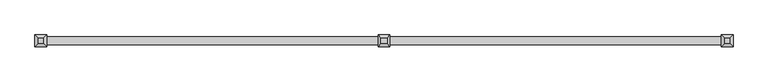
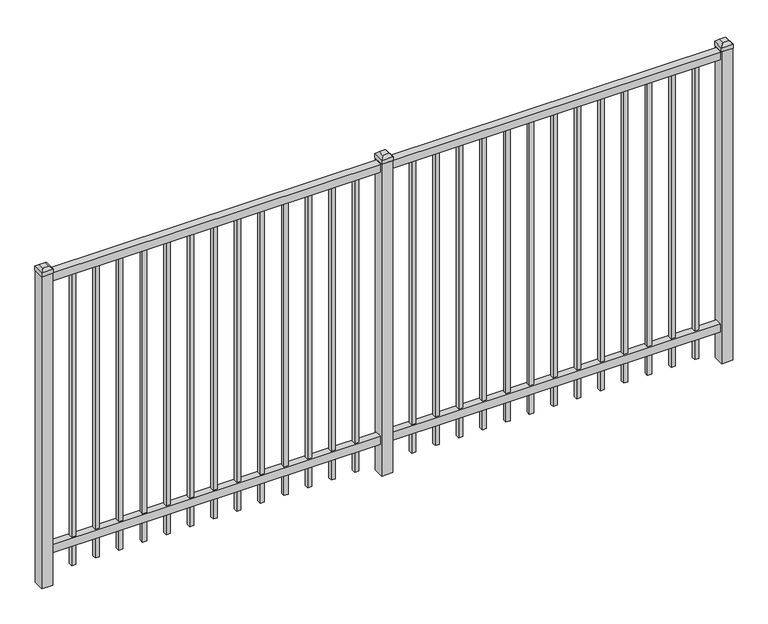
"""IFC4 building model written with IfcOpenShell, lengths in millimetres: railing geometry."""

from ifc_helpers import new_model, si_unit, frame, origin, origin_with_axes, place, context, project, spatial, polyline, outline, extrude, faceted_brep, source, transform, mapped, element, save


def railing_9d4019f1(model_context):
    return source(origin(), model_context, "Body", "SolidModel", [
        extrude(outline(polyline([(-73537.318087, 5443.2804826), (-73537.318087, 5478.2054826), (-70387.718087, 5478.2054826), (-70387.718087, 5443.2804826), (-73537.318087, 5443.2804826)])), frame((0.0, 0.0, 1485.9), z_axis=(0.0, 0.0, 1.0), x_axis=(1.0, 0.0, 0.0)), (0.0, 0.0, 1.0), 38.1),
        extrude(outline(polyline([(-73537.318087, 5443.2804826), (-73537.318087, 5478.2054826), (-70387.718087, 5478.2054826), (-70387.718087, 5443.2804826), (-73537.318087, 5443.2804826)])), frame((0.0, 0.0, 152.4), z_axis=(0.0, 0.0, 1.0), x_axis=(1.0, 0.0, 0.0)), (0.0, 0.0, 1.0), 38.1),
        extrude(outline(polyline([(-70619.2285036, 5470.2679826), (-70619.2285036, 5451.2179826), (-70638.2785036, 5451.2179826), (-70638.2785036, 5470.2679826), (-70619.2285036, 5470.2679826)])), frame((0.0, 0.0, 50.8), z_axis=(0.0, 0.0, 1.0), x_axis=(1.0, 0.0, 0.0)), (0.0, 0.0, 1.0), 1435.1),
        extrude(outline(polyline([(-70728.5014203, 5470.2679826), (-70728.5014203, 5451.2179826), (-70747.5514203, 5451.2179826), (-70747.5514203, 5470.2679826), (-70728.5014203, 5470.2679826)])), frame((0.0, 0.0, 50.8), z_axis=(0.0, 0.0, 1.0), x_axis=(1.0, 0.0, 0.0)), (0.0, 0.0, 1.0), 1435.1),
        extrude(outline(polyline([(-70837.774337, 5470.2679826), (-70837.774337, 5451.2179826), (-70856.824337, 5451.2179826), (-70856.824337, 5470.2679826), (-70837.774337, 5470.2679826)])), frame((0.0, 0.0, 50.8), z_axis=(0.0, 0.0, 1.0), x_axis=(1.0, 0.0, 0.0)), (0.0, 0.0, 1.0), 1435.1),
        extrude(outline(polyline([(-70947.0472536, 5470.2679826), (-70947.0472536, 5451.2179826), (-70966.0972536, 5451.2179826), (-70966.0972536, 5470.2679826), (-70947.0472536, 5470.2679826)])), frame((0.0, 0.0, 50.8), z_axis=(0.0, 0.0, 1.0), x_axis=(1.0, 0.0, 0.0)), (0.0, 0.0, 1.0), 1435.1),
        extrude(outline(polyline([(-71056.3201703, 5470.2679826), (-71056.3201703, 5451.2179826), (-71075.3701703, 5451.2179826), (-71075.3701703, 5470.2679826), (-71056.3201703, 5470.2679826)])), frame((0.0, 0.0, 50.8), z_axis=(0.0, 0.0, 1.0), x_axis=(1.0, 0.0, 0.0)), (0.0, 0.0, 1.0), 1435.1),
        extrude(outline(polyline([(-71165.593087, 5470.2679826), (-71165.593087, 5451.2179826), (-71184.643087, 5451.2179826), (-71184.643087, 5470.2679826), (-71165.593087, 5470.2679826)])), frame((0.0, 0.0, 50.8), z_axis=(0.0, 0.0, 1.0), x_axis=(1.0, 0.0, 0.0)), (0.0, 0.0, 1.0), 1435.1),
        extrude(outline(polyline([(-71274.8660036, 5470.2679826), (-71274.8660036, 5451.2179826), (-71293.9160036, 5451.2179826), (-71293.9160036, 5470.2679826), (-71274.8660036, 5470.2679826)])), frame((0.0, 0.0, 50.8), z_axis=(0.0, 0.0, 1.0), x_axis=(1.0, 0.0, 0.0)), (0.0, 0.0, 1.0), 1435.1),
        extrude(outline(polyline([(-71384.1389203, 5470.2679826), (-71384.1389203, 5451.2179826), (-71403.1889203, 5451.2179826), (-71403.1889203, 5470.2679826), (-71384.1389203, 5470.2679826)])), frame((0.0, 0.0, 50.8), z_axis=(0.0, 0.0, 1.0), x_axis=(1.0, 0.0, 0.0)), (0.0, 0.0, 1.0), 1435.1),
        extrude(outline(polyline([(-71493.411837, 5470.2679826), (-71493.411837, 5451.2179826), (-71512.461837, 5451.2179826), (-71512.461837, 5470.2679826), (-71493.411837, 5470.2679826)])), frame((0.0, 0.0, 50.8), z_axis=(0.0, 0.0, 1.0), x_axis=(1.0, 0.0, 0.0)), (0.0, 0.0, 1.0), 1435.1),
        extrude(outline(polyline([(-71602.6847536, 5470.2679826), (-71602.6847536, 5451.2179826), (-71621.7347536, 5451.2179826), (-71621.7347536, 5470.2679826), (-71602.6847536, 5470.2679826)])), frame((0.0, 0.0, 50.8), z_axis=(0.0, 0.0, 1.0), x_axis=(1.0, 0.0, 0.0)), (0.0, 0.0, 1.0), 1435.1),
        extrude(outline(polyline([(-71711.9576703, 5470.2679826), (-71711.9576703, 5451.2179826), (-71731.0076703, 5451.2179826), (-71731.0076703, 5470.2679826), (-71711.9576703, 5470.2679826)])), frame((0.0, 0.0, 50.8), z_axis=(0.0, 0.0, 1.0), x_axis=(1.0, 0.0, 0.0)), (0.0, 0.0, 1.0), 1435.1),
        extrude(outline(polyline([(-70509.955587, 5470.2679826), (-70509.955587, 5451.2179826), (-70529.005587, 5451.2179826), (-70529.005587, 5470.2679826), (-70509.955587, 5470.2679826)])), frame((0.0, 0.0, 50.8), z_axis=(0.0, 0.0, 1.0), x_axis=(1.0, 0.0, 0.0)), (0.0, 0.0, 1.0), 1435.1),
        extrude(outline(polyline([(-71821.230587, 5470.2679826), (-71821.230587, 5451.2179826), (-71840.280587, 5451.2179826), (-71840.280587, 5470.2679826), (-71821.230587, 5470.2679826)])), frame((0.0, 0.0, 50.8), z_axis=(0.0, 0.0, 1.0), x_axis=(1.0, 0.0, 0.0)), (0.0, 0.0, 1.0), 1435.1),
        extrude(outline(polyline([(-71937.118087, 5486.1429826), (-71937.118087, 5435.3429826), (-71987.918087, 5435.3429826), (-71987.918087, 5486.1429826), (-71937.118087, 5486.1429826)])), origin_with_axes(), (0.0, 0.0, 1.0), 1530.35),
        faceted_brep([(-71989.505587, 5487.7304826, 1549.4), (-71989.505587, 5487.7304826, 1530.35), (-71989.505587, 5433.7554826, 1530.35), (-71989.505587, 5433.7554826, 1549.4), (-71976.805587, 5475.0304826, 1562.1), (-71976.805587, 5446.4554826, 1562.1), (-71935.530587, 5433.7554826, 1530.35), (-71935.530587, 5433.7554826, 1549.4), (-71948.230587, 5446.4554826, 1562.1), (-71935.530587, 5487.7304826, 1530.35), (-71935.530587, 5487.7304826, 1549.4), (-71948.230587, 5475.0304826, 1562.1)], [[[0, 1, 2, 3]], [[4, 0, 3, 5]], [[3, 2, 6, 7]], [[5, 3, 7, 8]], [[7, 6, 9, 10]], [[8, 7, 10, 11]], [[10, 9, 1, 0]], [[11, 10, 0, 4]], [[5, 8, 11, 4]], [[1, 9, 6, 2]]]),
        extrude(outline(polyline([(-72194.0285036, 5470.2679826), (-72194.0285036, 5451.2179826), (-72213.0785036, 5451.2179826), (-72213.0785036, 5470.2679826), (-72194.0285036, 5470.2679826)])), frame((0.0, 0.0, 50.8), z_axis=(0.0, 0.0, 1.0), x_axis=(1.0, 0.0, 0.0)), (0.0, 0.0, 1.0), 1435.1),
        extrude(outline(polyline([(-72303.3014203, 5470.2679826), (-72303.3014203, 5451.2179826), (-72322.3514203, 5451.2179826), (-72322.3514203, 5470.2679826), (-72303.3014203, 5470.2679826)])), frame((0.0, 0.0, 50.8), z_axis=(0.0, 0.0, 1.0), x_axis=(1.0, 0.0, 0.0)), (0.0, 0.0, 1.0), 1435.1),
        extrude(outline(polyline([(-72412.574337, 5470.2679826), (-72412.574337, 5451.2179826), (-72431.624337, 5451.2179826), (-72431.624337, 5470.2679826), (-72412.574337, 5470.2679826)])), frame((0.0, 0.0, 50.8), z_axis=(0.0, 0.0, 1.0), x_axis=(1.0, 0.0, 0.0)), (0.0, 0.0, 1.0), 1435.1),
        extrude(outline(polyline([(-72521.8472536, 5470.2679826), (-72521.8472536, 5451.2179826), (-72540.8972536, 5451.2179826), (-72540.8972536, 5470.2679826), (-72521.8472536, 5470.2679826)])), frame((0.0, 0.0, 50.8), z_axis=(0.0, 0.0, 1.0), x_axis=(1.0, 0.0, 0.0)), (0.0, 0.0, 1.0), 1435.1),
        extrude(outline(polyline([(-72631.1201703, 5470.2679826), (-72631.1201703, 5451.2179826), (-72650.1701703, 5451.2179826), (-72650.1701703, 5470.2679826), (-72631.1201703, 5470.2679826)])), frame((0.0, 0.0, 50.8), z_axis=(0.0, 0.0, 1.0), x_axis=(1.0, 0.0, 0.0)), (0.0, 0.0, 1.0), 1435.1),
        extrude(outline(polyline([(-72740.393087, 5470.2679826), (-72740.393087, 5451.2179826), (-72759.443087, 5451.2179826), (-72759.443087, 5470.2679826), (-72740.393087, 5470.2679826)])), frame((0.0, 0.0, 50.8), z_axis=(0.0, 0.0, 1.0), x_axis=(1.0, 0.0, 0.0)), (0.0, 0.0, 1.0), 1435.1),
        extrude(outline(polyline([(-72849.6660036, 5470.2679826), (-72849.6660036, 5451.2179826), (-72868.7160036, 5451.2179826), (-72868.7160036, 5470.2679826), (-72849.6660036, 5470.2679826)])), frame((0.0, 0.0, 50.8), z_axis=(0.0, 0.0, 1.0), x_axis=(1.0, 0.0, 0.0)), (0.0, 0.0, 1.0), 1435.1),
        extrude(outline(polyline([(-72958.9389203, 5470.2679826), (-72958.9389203, 5451.2179826), (-72977.9889203, 5451.2179826), (-72977.9889203, 5470.2679826), (-72958.9389203, 5470.2679826)])), frame((0.0, 0.0, 50.8), z_axis=(0.0, 0.0, 1.0), x_axis=(1.0, 0.0, 0.0)), (0.0, 0.0, 1.0), 1435.1),
        extrude(outline(polyline([(-73068.211837, 5470.2679826), (-73068.211837, 5451.2179826), (-73087.261837, 5451.2179826), (-73087.261837, 5470.2679826), (-73068.211837, 5470.2679826)])), frame((0.0, 0.0, 50.8), z_axis=(0.0, 0.0, 1.0), x_axis=(1.0, 0.0, 0.0)), (0.0, 0.0, 1.0), 1435.1),
        extrude(outline(polyline([(-73177.4847536, 5470.2679826), (-73177.4847536, 5451.2179826), (-73196.5347536, 5451.2179826), (-73196.5347536, 5470.2679826), (-73177.4847536, 5470.2679826)])), frame((0.0, 0.0, 50.8), z_axis=(0.0, 0.0, 1.0), x_axis=(1.0, 0.0, 0.0)), (0.0, 0.0, 1.0), 1435.1),
        extrude(outline(polyline([(-73286.7576703, 5470.2679826), (-73286.7576703, 5451.2179826), (-73305.8076703, 5451.2179826), (-73305.8076703, 5470.2679826), (-73286.7576703, 5470.2679826)])), frame((0.0, 0.0, 50.8), z_axis=(0.0, 0.0, 1.0), x_axis=(1.0, 0.0, 0.0)), (0.0, 0.0, 1.0), 1435.1),
        extrude(outline(polyline([(-72084.755587, 5470.2679826), (-72084.755587, 5451.2179826), (-72103.805587, 5451.2179826), (-72103.805587, 5470.2679826), (-72084.755587, 5470.2679826)])), frame((0.0, 0.0, 50.8), z_axis=(0.0, 0.0, 1.0), x_axis=(1.0, 0.0, 0.0)), (0.0, 0.0, 1.0), 1435.1),
        extrude(outline(polyline([(-73396.030587, 5470.2679826), (-73396.030587, 5451.2179826), (-73415.080587, 5451.2179826), (-73415.080587, 5470.2679826), (-73396.030587, 5470.2679826)])), frame((0.0, 0.0, 50.8), z_axis=(0.0, 0.0, 1.0), x_axis=(1.0, 0.0, 0.0)), (0.0, 0.0, 1.0), 1435.1),
        extrude(outline(polyline([(-70362.318087, 5486.1429826), (-70362.318087, 5435.3429826), (-70413.118087, 5435.3429826), (-70413.118087, 5486.1429826), (-70362.318087, 5486.1429826)])), origin_with_axes(), (0.0, 0.0, 1.0), 1530.35),
        faceted_brep([(-70414.705587, 5487.7304826, 1549.4), (-70414.705587, 5487.7304826, 1530.35), (-70414.705587, 5433.7554826, 1530.35), (-70414.705587, 5433.7554826, 1549.4), (-70402.005587, 5475.0304826, 1562.1), (-70402.005587, 5446.4554826, 1562.1), (-70360.730587, 5433.7554826, 1530.35), (-70360.730587, 5433.7554826, 1549.4), (-70373.430587, 5446.4554826, 1562.1), (-70360.730587, 5487.7304826, 1530.35), (-70360.730587, 5487.7304826, 1549.4), (-70373.430587, 5475.0304826, 1562.1)], [[[0, 1, 2, 3]], [[4, 0, 3, 5]], [[3, 2, 6, 7]], [[5, 3, 7, 8]], [[7, 6, 9, 10]], [[8, 7, 10, 11]], [[10, 9, 1, 0]], [[11, 10, 0, 4]], [[5, 8, 11, 4]], [[1, 9, 6, 2]]]),
        extrude(outline(polyline([(-73511.918087, 5486.1429826), (-73511.918087, 5435.3429826), (-73562.718087, 5435.3429826), (-73562.718087, 5486.1429826), (-73511.918087, 5486.1429826)])), origin_with_axes(), (0.0, 0.0, 1.0), 1530.35),
        faceted_brep([(-73564.305587, 5487.7304826, 1549.4), (-73564.305587, 5487.7304826, 1530.35), (-73564.305587, 5433.7554826, 1530.35), (-73564.305587, 5433.7554826, 1549.4), (-73551.605587, 5475.0304826, 1562.1), (-73551.605587, 5446.4554826, 1562.1), (-73510.330587, 5433.7554826, 1530.35), (-73510.330587, 5433.7554826, 1549.4), (-73523.030587, 5446.4554826, 1562.1), (-73510.330587, 5487.7304826, 1530.35), (-73510.330587, 5487.7304826, 1549.4), (-73523.030587, 5475.0304826, 1562.1)], [[[0, 1, 2, 3]], [[4, 0, 3, 5]], [[3, 2, 6, 7]], [[5, 3, 7, 8]], [[7, 6, 9, 10]], [[8, 7, 10, 11]], [[10, 9, 1, 0]], [[11, 10, 0, 4]], [[5, 8, 11, 4]], [[1, 9, 6, 2]]]),
    ])


if __name__ == "__main__":
    model = new_model("IFC4")
    model_context = context("Model", 3, world=origin())
    ifc_project = project(units=[si_unit("LENGTHUNIT", "METRE", prefix="MILLI")], contexts=[model_context])
    site = spatial("IfcSite", under=ifc_project)
    building = spatial("IfcBuilding", under=site)
    placement = place(None, origin())
    railing_shape = railing_9d4019f1(model_context)
    element("IfcRailing", 1, at=placement, inside=building, context=model_context, shape_type="MappedRepresentation", body=[
        mapped(railing_shape, transform((0.0, 0.0, 0.0), x_axis=(1.0, 0.0, 0.0), y_axis=(0.0, 1.0, 0.0), z_axis=(0.0, 0.0, 1.0))),
    ])
    save(model, "model.ifc")
